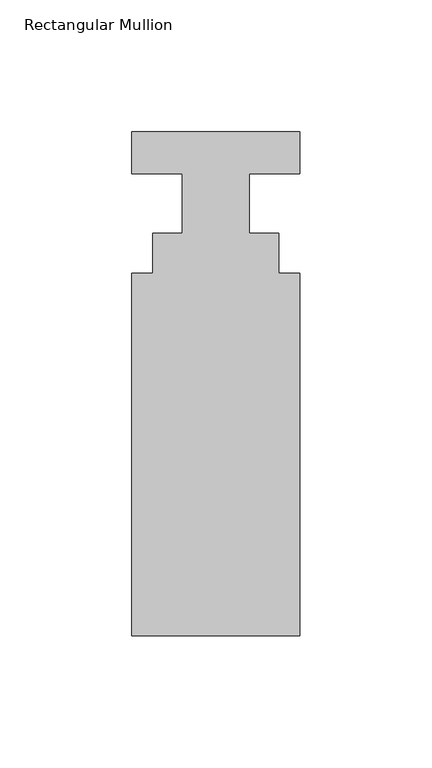
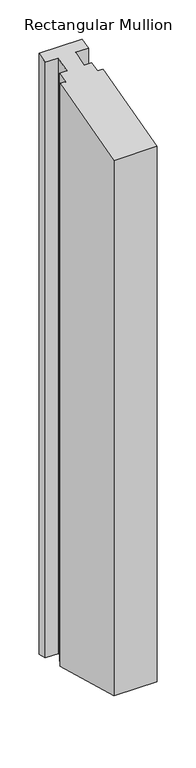
"""IFC4 building model written with IfcOpenShell, lengths in millimetres: member geometry, Rectangular Mullion."""

from ifc_helpers import new_model, si_unit, origin, place, context, project, spatial, faceted_brep, source, transform, mapped, element, save


def rectangular_mullion_48b1a654(model_context):
    return source(origin(), model_context, "Body", "Brep", [
        faceted_brep([(-31.75, 20.7922812, 5.571275), (31.75, 20.7922812, 5.571275), (31.75, 20.7922812, -930.0109086), (-31.75, 20.7922812, -930.0109086), (-31.75, 4.9172812, 1.3175815), (-31.75, 4.9172812, -925.7572152), (-12.7, 4.9172812, 1.3175815), (-12.7, 4.9172812, -925.7572152), (-12.7, -17.5617188, -4.7056484), (-12.7, -17.5617188, -919.7339853), (-23.8252, -17.5617187, -4.7056484), (-23.8252, -17.5617187, -919.7339853), (-23.8252, -32.6239187, -8.7415527), (-23.8252, -32.6239187, -915.698081), (-31.75, -32.6239187, -8.7415527), (-31.75, -32.6239187, -915.698081), (-31.75, -169.9617188, -45.5411053), (-31.75, -169.9617188, -878.8985284), (31.75, -169.9617188, -45.5411053), (31.75, -169.9617188, -878.8985284), (31.75, -32.6239187, -8.7415527), (31.75, -32.6239187, -915.698081), (23.8252, -32.6239187, -8.7415527), (23.8252, -32.6239187, -915.698081), (23.8252, -17.5617188, -4.7056484), (23.8252, -17.5617188, -919.7339853), (12.7, -17.5617187, -4.7056484), (12.7, -17.5617187, -919.7339853), (12.7, 4.9172812, 1.3175815), (12.7, 4.9172812, -925.7572152), (31.75, 4.9172812, 1.3175815), (31.75, 4.9172812, -925.7572152)], [[[0, 1, 2, 3]], [[4, 0, 3, 5]], [[6, 4, 5, 7]], [[8, 6, 7, 9]], [[10, 8, 9, 11]], [[12, 10, 11, 13]], [[14, 12, 13, 15]], [[16, 14, 15, 17]], [[18, 16, 17, 19]], [[20, 18, 19, 21]], [[22, 20, 21, 23]], [[24, 22, 23, 25]], [[26, 24, 25, 27]], [[28, 26, 27, 29]], [[30, 28, 29, 31]], [[1, 30, 31, 2]], [[1, 0, 4, 6, 8, 10, 12, 14, 16, 18, 20, 22, 24, 26, 28, 30]], [[2, 31, 29, 27, 25, 23, 21, 19, 17, 15, 13, 11, 9, 7, 5, 3]]]),
    ])


if __name__ == "__main__":
    model = new_model("IFC4")
    model_context = context("Model", 3, world=origin())
    ifc_project = project(units=[si_unit("LENGTHUNIT", "METRE", prefix="MILLI")], contexts=[model_context])
    site = spatial("IfcSite", under=ifc_project)
    building = spatial("IfcBuilding", under=site)
    placement = place(None, origin())
    rectangular_mullion_shape = rectangular_mullion_48b1a654(model_context)
    element("IfcMember", 1, ObjectType="Rectangular Mullion", at=placement, inside=building, context=model_context, shape_type="MappedRepresentation", body=[
        mapped(rectangular_mullion_shape, transform((0.0, 0.0, 0.0), x_axis=(1.0, 0.0, 0.0), y_axis=(0.0, 1.0, 0.0), z_axis=(0.0, 0.0, 1.0))),
    ])
    save(model, "model.ifc")
